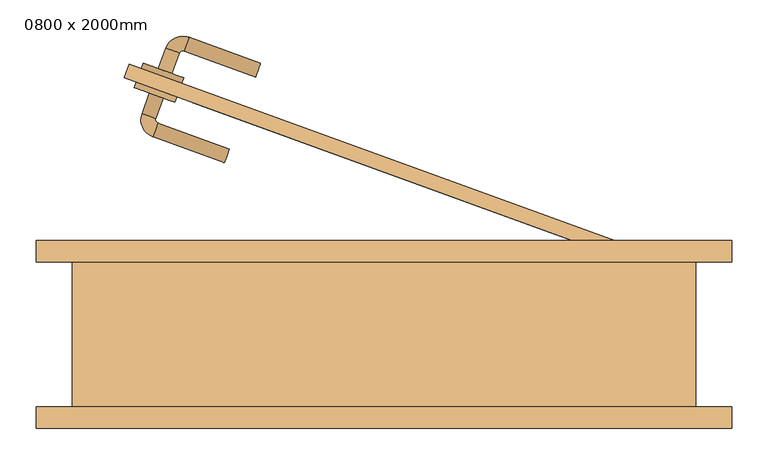
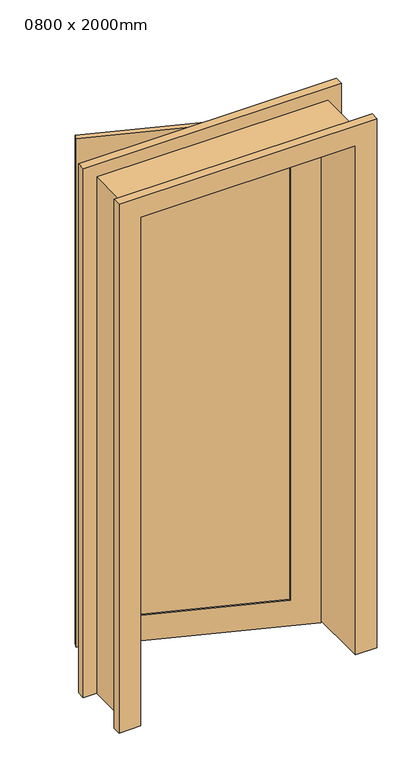
"""IFC4 building model written with IfcOpenShell, lengths in millimetres: door geometry, 0800 x 2000mm."""

from ifc_helpers import new_model, si_unit, point, frame, frame_2d, origin, place, context, project, spatial, polyline, circle_curve, ellipse_curve, trimmed, segment, composite_curve, outline, extrude, faceted_brep, source, transform, mapped, element, save
from ifc_brep_helpers import plane_surface, cylinder_surface, revolved_surface, advanced_brep


def door_0800_x_2000mm_f6676f48(model_context):
    return source(origin(), model_context, "Body", "SolidModel", [
        advanced_brep(
        [(-323.7429558, 333.6239155, 1000.0), (-304.9491034, 326.7835127, 1000.0), (-315.2097077, 298.5927341, 1000.0), (-334.0035601, 305.4331369, 1000.0), (-312.2213453, 292.1841702, 1000.0), (-319.0617482, 273.3903178, 1000.0), (-220.394023, 237.4782028, 1000.0), (-213.5536201, 256.2720552, 1000.0)],
        [
            (0, 1, circle_curve(frame((-314.3460296, 330.2037141, 1000.0), z_axis=(0.34202014332566183, 0.939692620785911, 0.0), x_axis=(0.9396926207859098, -0.3420201433256614, 0.0)), 10.0)),
            (1, 0, circle_curve(frame((-314.3460296, 330.2037141, 1000.0), z_axis=(0.34202014332566183, 0.939692620785911, 0.0), x_axis=(0.9396926207859098, -0.3420201433256614, 0.0)), 10.0)),
            (1, 2),
            (2, 3, circle_curve(frame((-324.6066339, 302.0129355, 1000.0), z_axis=(0.34202014332566183, 0.939692620785911, 0.0), x_axis=(0.9396926207859098, -0.3420201433256614, 0.0)), 10.0)),
            (3, 0),
            (3, 2, circle_curve(frame((-324.6066339, 302.0129355, 1000.0), z_axis=(0.34202014332566183, 0.939692620785911, 0.0), x_axis=(0.9396926207859098, -0.3420201433256614, 0.0)), 10.0)),
            (4, 5, circle_curve(frame((-315.6415467, 282.787244, 1000.0), z_axis=(-0.9396926207859086, 0.3420201433256646, 0.0), x_axis=(0.3420201433256646, 0.9396926207859086, 0.0)), 10.0)),
            (5, 3, circle_curve(frame((-310.5112446, 296.8826333, 1000.0), z_axis=(0.0, 0.0, -1.0), x_axis=(-0.9396926207859098, 0.34202014332566144, 0.0)), 25.0)),
            (2, 4, circle_curve(frame((-310.5112446, 296.8826333, 1000.0), z_axis=(0.0, 0.0, 1.0), x_axis=(-0.9396926207859098, 0.34202014332566144, 0.0)), 5.0)),
            (5, 4, circle_curve(frame((-315.6415467, 282.787244, 1000.0), z_axis=(-0.9396926207859089, 0.342020143325664, 0.0), x_axis=(0.342020143325664, 0.9396926207859089, 0.0)), 10.0)),
            (6, 7, circle_curve(frame((-216.9738216, 246.875129, 1000.0), z_axis=(0.939692620785911, -0.34202014332566183, 0.0), x_axis=(0.3420201433256614, 0.9396926207859098, 0.0)), 10.0)),
            (7, 6, circle_curve(frame((-216.9738216, 246.875129, 1000.0), z_axis=(0.939692620785911, -0.34202014332566183, 0.0), x_axis=(0.3420201433256614, 0.9396926207859098, 0.0)), 10.0)),
            (4, 7),
            (6, 5),
        ],
        [
            plane_surface(frame((-314.3460296, 330.2037141, 1000.0), z_axis=(0.34202014332566183, 0.9396926207859109, 0.0), x_axis=(0.0, 0.0, 1.0))),
            cylinder_surface(frame((-314.3460296, 330.2037141, 1000.0), z_axis=(0.3420201433256614, 0.9396926207859098, 0.0), x_axis=(0.9396926207859098, -0.3420201433256614, 0.0)), 10.0),
            revolved_surface(trimmed(ellipse_curve(frame((-324.6066339, 302.0129355, 1000.0), z_axis=(-0.34202014332566144, -0.9396926207859098, 0.0), x_axis=(0.9396926207859098, -0.34202014332566144, 0.0)), 10.0, 10.0), [point((-334.0035601, 305.4331369, 1000.0))], [point((-315.2097077, 298.5927341, 1000.0))], True, "CARTESIAN"), (-310.5112446, 296.8826333, 1000.0), (0.0, 0.0, -1.0)),
            revolved_surface(trimmed(ellipse_curve(frame((-324.6066339, 302.0129355, 1000.0), z_axis=(-0.34202014332566144, -0.9396926207859098, 0.0), x_axis=(0.9396926207859098, -0.34202014332566144, 0.0)), 10.0, 10.0), [point((-315.2097077, 298.5927341, 1000.0))], [point((-334.0035601, 305.4331369, 1000.0))], True, "CARTESIAN"), (-310.5112446, 296.8826333, 1000.0), (0.0, 0.0, -1.0)),
            plane_surface(frame((-216.9738216, 246.875129, 1000.0), z_axis=(0.9396926207859109, -0.34202014332566183, 0.0), x_axis=(0.0, 0.0, 1.0))),
            cylinder_surface(frame((-315.6415467, 282.787244, 1000.0), z_axis=(-0.9396926207859098, 0.3420201433256614, 0.0), x_axis=(0.3420201433256614, 0.9396926207859098, 0.0)), 10.0),
        ],
        [
            (0, [[1, 2]]),
            (1, [[3, 4, 5, -2]]),
            (1, [[-5, 6, -3, -1]]),
            (2, [[7, 8, -4, 9]]),
            (3, [[10, -9, -6, -8]]),
            (4, [[11, 12]]),
            (5, [[13, -11, 14, -7]]),
            (5, [[-14, -12, -13, -10]]),
        ],
    ),
        extrude(outline(composite_curve([segment(trimmed(circle_curve(frame_2d((0.0, 30.0000001)), 30.0), [point((0.0, 60.0))], [point((0.0, 0.0))], False, "CARTESIAN"), True, "CONTINUOUS"), segment(trimmed(circle_curve(frame_2d((0.0, 30.0000001)), 30.0), [point((0.0, 0.0))], [point((0.0, 60.0))], False, "CARTESIAN"), True, "CONTINUOUS")], self_intersect=False)), frame((-288.5044825, 320.7981602, 1000.0), z_axis=(0.34202014332566183, 0.9396926207859109, 0.0), x_axis=(0.0, 0.0, -1.0)), (0.0, 0.0, 1.0), 8.0),
        advanced_brep(
        [(-311.4302307, 367.4528499, 1000.0), (-292.6363782, 360.612447, 1000.0), (-301.1696264, 395.6436285, 1000.0), (-282.3757739, 388.8032257, 1000.0), (-275.9672101, 391.791588, 1000.0), (-269.1268072, 410.5854405, 1000.0), (-170.4590821, 374.6733254, 1000.0), (-177.2994849, 355.879473, 1000.0)],
        [
            (0, 1, circle_curve(frame((-302.0333044, 364.0326485, 1000.0), z_axis=(-0.34202014332566255, -0.9396926207859108, 0.0), x_axis=(0.9396926207859101, -0.34202014332566233, 0.0)), 10.0)),
            (1, 0, circle_curve(frame((-302.0333044, 364.0326485, 1000.0), z_axis=(-0.34202014332566255, -0.9396926207859108, 0.0), x_axis=(0.9396926207859101, -0.34202014332566233, 0.0)), 10.0)),
            (0, 2),
            (2, 3, circle_curve(frame((-291.7727001, 392.2234271, 1000.0), z_axis=(-0.34202014332566255, -0.9396926207859108, 0.0), x_axis=(0.9396926207859101, -0.34202014332566233, 0.0)), 10.0)),
            (3, 1),
            (3, 2, circle_curve(frame((-291.7727001, 392.2234271, 1000.0), z_axis=(-0.34202014332566255, -0.9396926207859108, 0.0), x_axis=(0.9396926207859101, -0.34202014332566233, 0.0)), 10.0)),
            (4, 3, circle_curve(frame((-277.6773108, 387.0931249, 1000.0), z_axis=(0.0, 0.0, 1.0), x_axis=(-0.9396926207859101, 0.3420201433256623, 0.0)), 5.0)),
            (2, 5, circle_curve(frame((-277.6773108, 387.0931249, 1000.0), z_axis=(0.0, 0.0, -1.0), x_axis=(-0.9396926207859101, 0.3420201433256623, 0.0)), 25.0)),
            (5, 4, circle_curve(frame((-272.5470087, 401.1885142, 1000.0), z_axis=(-0.939692620785911, 0.34202014332565994, 0.0), x_axis=(-0.34202014332565994, -0.939692620785911, 0.0)), 10.0)),
            (4, 5, circle_curve(frame((-272.5470087, 401.1885142, 1000.0), z_axis=(-0.9396926207859122, 0.3420201433256564, 0.0), x_axis=(-0.3420201433256564, -0.9396926207859122, 0.0)), 10.0)),
            (6, 7, circle_curve(frame((-173.8792835, 365.2763992, 1000.0), z_axis=(0.9396926207859108, -0.34202014332566255, 0.0), x_axis=(-0.34202014332566233, -0.9396926207859101, 0.0)), 10.0)),
            (7, 6, circle_curve(frame((-173.8792835, 365.2763992, 1000.0), z_axis=(0.9396926207859108, -0.34202014332566255, 0.0), x_axis=(-0.34202014332566233, -0.9396926207859101, 0.0)), 10.0)),
            (5, 6),
            (7, 4),
        ],
        [
            plane_surface(frame((-302.0333044, 364.0326485, 1000.0), z_axis=(-0.3420201433256625, -0.9396926207859106, 0.0), x_axis=(0.0, 0.0, 1.0))),
            cylinder_surface(frame((-302.0333044, 364.0326485, 1000.0), z_axis=(-0.34202014332566233, -0.9396926207859101, 0.0), x_axis=(0.9396926207859101, -0.34202014332566233, 0.0)), 10.0),
            revolved_surface(trimmed(ellipse_curve(frame((-291.7727001, 392.2234271, 1000.0), z_axis=(-0.3420201433256623, -0.9396926207859101, 0.0), x_axis=(0.9396926207859101, -0.3420201433256623, 0.0)), 10.0, 10.0), [point((-301.1696264, 395.6436285, 1000.0))], [point((-282.3757739, 388.8032257, 1000.0))], True, "CARTESIAN"), (-277.6773108, 387.0931249, 1000.0), (0.0, 0.0, -1.0)),
            revolved_surface(trimmed(ellipse_curve(frame((-291.7727001, 392.2234271, 1000.0), z_axis=(-0.3420201433256623, -0.9396926207859101, 0.0), x_axis=(0.9396926207859101, -0.3420201433256623, 0.0)), 10.0, 10.0), [point((-282.3757739, 388.8032257, 1000.0))], [point((-301.1696264, 395.6436285, 1000.0))], True, "CARTESIAN"), (-277.6773108, 387.0931249, 1000.0), (0.0, 0.0, -1.0)),
            plane_surface(frame((-173.8792835, 365.2763992, 1000.0), z_axis=(0.9396926207859106, -0.3420201433256625, 0.0), x_axis=(0.0, 0.0, 1.0))),
            cylinder_surface(frame((-272.5470087, 401.1885142, 1000.0), z_axis=(-0.9396926207859101, 0.34202014332566233, 0.0), x_axis=(-0.34202014332566233, -0.9396926207859101, 0.0)), 10.0),
        ],
        [
            (0, [[1, 2]]),
            (1, [[-1, 3, 4, 5]]),
            (1, [[-2, -5, 6, -3]]),
            (2, [[7, -4, 8, 9]]),
            (3, [[-8, -6, -7, 10]]),
            (4, [[11, 12]]),
            (5, [[-9, 13, -12, 14]]),
            (5, [[-10, -14, -11, -13]]),
        ],
    ),
        extrude(outline(composite_curve([segment(trimmed(circle_curve(frame_2d((0.0, -30.0)), 30.0), [point((0.0, -60.0))], [point((0.0, 0.0))], False, "CARTESIAN"), True, "CONTINUOUS"), segment(trimmed(circle_curve(frame_2d((0.0, -30.0)), 30.0), [point((0.0, 0.0))], [point((0.0, -60.0))], False, "CARTESIAN"), True, "CONTINUOUS")], self_intersect=False)), frame((-278.9279185, 347.1095536, 1000.0), z_axis=(0.3420201433256625, 0.9396926207859106, 0.0), x_axis=(0.0, 0.0, 1.0)), (0.0, 0.0, 1.0), 8.0),
        extrude(outline(polyline([(301.7554861, 122.4558566), (-262.0600863, 327.6679426), (-260.3499856, 332.3664057), (303.4655868, 127.1543197), (301.7554861, 122.4558566)])), frame((0.0, 0.0, 100.0), z_axis=(0.0, 0.0, 1.0), x_axis=(1.0, 0.0, 0.0)), (0.0, 0.0, 1.0), 1800.0),
        faceted_brep([(-430.0, 100.0, 0.0), (-480.0, 100.0, 0.0), (-480.0, 130.0, 0.0), (-400.0, 130.0, 0.0), (-400.0, -130.0, 0.0), (-480.0, -130.0, 0.0), (-480.0, -100.0, 0.0), (-430.0, -100.0, 0.0), (-430.0, 100.0, 2030.0), (430.0, 100.0, 2030.0), (430.0, 100.0, 0.0), (480.0, 100.0, 0.0), (480.0, 100.0, 2080.0), (-480.0, 100.0, 2080.0), (-480.0, 130.0, 2080.0), (480.0, 130.0, 2080.0), (480.0, 130.0, 0.0), (400.0, 130.0, 0.0), (400.0, 130.0, 2000.0), (-400.0, 130.0, 2000.0), (-400.0, -130.0, 2000.0), (400.0, -130.0, 2000.0), (400.0, -130.0, 0.0), (480.0, -130.0, 0.0), (480.0, -130.0, 2080.0), (-480.0, -130.0, 2080.0), (-480.0, -100.0, 2080.0), (480.0, -100.0, 2080.0), (480.0, -100.0, 0.0), (430.0, -100.0, 0.0), (430.0, -100.0, 2030.0), (-430.0, -100.0, 2030.0)], [[[0, 1, 2, 3, 4, 5, 6, 7]], [[1, 0, 8, 9, 10, 11, 12, 13]], [[2, 1, 13, 14]], [[3, 2, 14, 15, 16, 17, 18, 19]], [[4, 3, 19, 20]], [[5, 4, 20, 21, 22, 23, 24, 25]], [[6, 5, 25, 26]], [[7, 6, 26, 27, 28, 29, 30, 31]], [[0, 7, 31, 8]], [[10, 9, 30, 29]], [[11, 10, 29, 28, 23, 22, 17, 16]], [[12, 11, 16, 15]], [[18, 17, 22, 21]], [[24, 23, 28, 27]], [[13, 12, 15, 14]], [[19, 18, 21, 20]], [[25, 24, 27, 26]], [[9, 8, 31, 30]]]),
        faceted_brep([(-351.7540966, 373.6161147, 0.0), (400.0, 100.0, 0.0), (393.1595971, 81.2061476, 0.0), (-358.5944995, 354.8222622, 0.0), (-351.7540966, 373.6161147, 2000.0), (400.0, 100.0, 2000.0), (-257.7848346, 339.4141003, 1900.0), (-257.7848346, 339.4141003, 100.0), (306.0307379, 134.2020143, 100.0), (306.0307379, 134.2020143, 1900.0), (393.1595971, 81.2061476, 2000.0), (341.523912, 100.0, 2000.0), (-358.5944995, 354.8222622, 2000.0), (-264.6252374, 320.6202479, 100.0), (-264.6252374, 320.6202479, 1900.0), (299.1903351, 115.4081619, 1900.0), (299.1903351, 115.4081619, 100.0)], [[[0, 1, 2, 3]], [[4, 5, 1, 0], [6, 7, 8, 9]], [[5, 10, 2, 1]], [[3, 2, 10, 11, 12], [13, 14, 15, 16]], [[12, 4, 0, 3]], [[13, 7, 6, 14]], [[8, 16, 15, 9]], [[7, 13, 16, 8]], [[4, 12, 11, 10, 5]], [[14, 6, 9, 15]]]),
    ])


if __name__ == "__main__":
    model = new_model("IFC4")
    model_context = context("Model", 3, world=origin())
    ifc_project = project(units=[si_unit("LENGTHUNIT", "METRE", prefix="MILLI")], contexts=[model_context])
    site = spatial("IfcSite", under=ifc_project)
    building = spatial("IfcBuilding", under=site)
    placement = place(None, origin())
    door_0800_x_2000mm_shape = door_0800_x_2000mm_f6676f48(model_context)
    element("IfcDoor", 1, ObjectType="0800 x 2000mm", at=placement, inside=building, context=model_context, shape_type="MappedRepresentation", body=[
        mapped(door_0800_x_2000mm_shape, transform((0.0, 0.0, 0.0), x_axis=(1.0, 0.0, 0.0), y_axis=(0.0, 1.0, 0.0), z_axis=(0.0, 0.0, 1.0))),
    ])
    save(model, "model.ifc")
